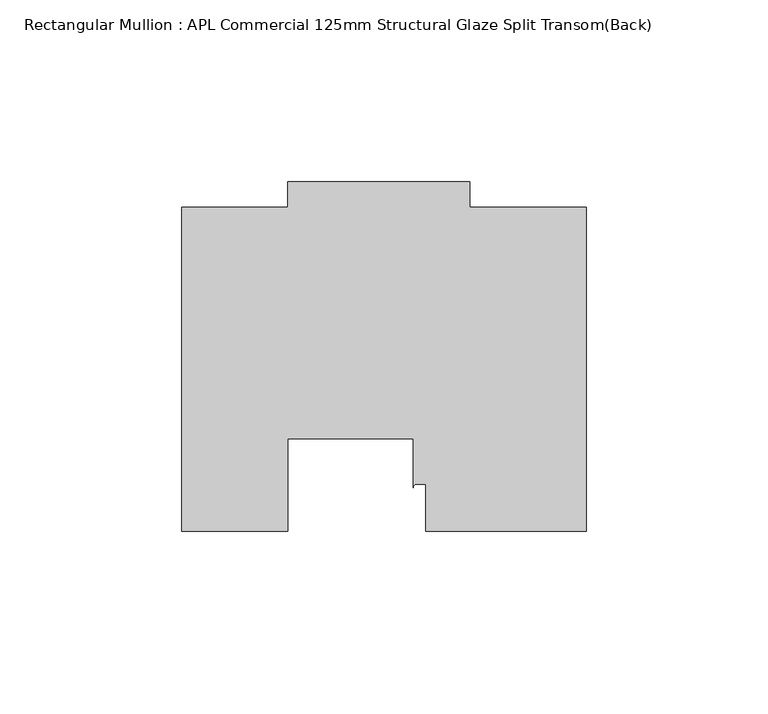
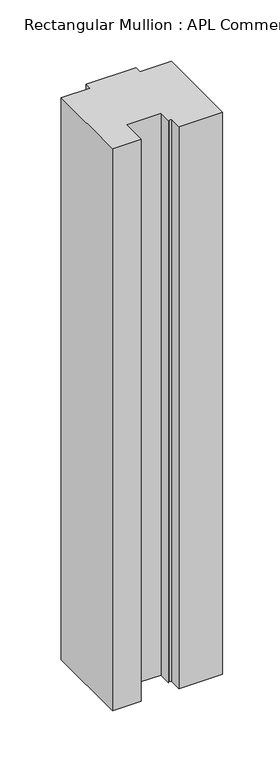
"""IFC4 building model written with IfcOpenShell, lengths in millimetres: member geometry, Rectangular Mullion : APL Commercial 125mm Structural Glaze Split Transom(Back)."""

import ifcopenshell
import ifcopenshell.guid

model = None  # the IFC model being written
_history = None  # IfcOwnerHistory: only IFC2X3 demands one
_inside = {}  # id of a spatial element -> (the spatial element, [elements in it])
_under = {}  # id of a project, library or spatial element -> (it, [spatial elements below it])
_declared = {}  # id of a project -> (the project, [libraries it declares])
_typed = {}  # id of a type object -> (the type object, [elements of that type])
_made_of = {}  # id of a material, layer set ... -> (it, [elements and type objects made of it])


def new_model(schema):
    """Start an empty IFC model of exactly this schema.

    Asked for "IFC4X3", IfcOpenShell would pick the latest addendum, in which some entities
    have other attributes; the version numbers below select the first issue.
    IFC2X3 requires an IfcOwnerHistory on every rooted entity: one is made here for all.
    """
    global model, _history
    if schema == "IFC4X3":
        model = ifcopenshell.file(schema_version=(4, 3, 0, 0))
    else:
        model = ifcopenshell.file(schema=schema)
    _inside.clear()
    _under.clear()
    _declared.clear()
    _typed.clear()
    _made_of.clear()
    _history = None
    if model.schema == "IFC2X3":
        org = make("IfcOrganization", Name="unknown")
        user = make(
            "IfcPersonAndOrganization",
            ThePerson=make("IfcPerson", FamilyName="unknown"),
            TheOrganization=org,
        )
        app = make(
            "IfcApplication",
            ApplicationDeveloper=org,
            Version="unknown",
            ApplicationFullName="unknown",
            ApplicationIdentifier="unknown",
        )
        _history = make(
            "IfcOwnerHistory",
            OwningUser=user,
            OwningApplication=app,
            ChangeAction="ADDED",
            CreationDate=0,
        )
    return model


def make(cls, **values):
    """One entity of the class cls with the attributes given. An attribute that is None is left unset."""
    return model.create_entity(
        cls, **{name: value for name, value in values.items() if value is not None}
    )


def rooted(cls, **values):
    """An entity with a GlobalId (a new one), such as an element, a storey or a relation."""
    return make(cls, GlobalId=ifcopenshell.guid.new(), OwnerHistory=_history, **values)


def si_unit(unit_type, name, prefix=None):
    """IfcSIUnit, for example si_unit("LENGTHUNIT", "METRE", prefix="MILLI")."""
    return make("IfcSIUnit", UnitType=unit_type, Prefix=prefix, Name=name)


def assignment(units):
    """IfcUnitAssignment: the units of a project."""
    return None if units is None else make("IfcUnitAssignment", Units=units)


def point(xyz):
    """IfcCartesianPoint."""
    return None if xyz is None else make("IfcCartesianPoint", Coordinates=xyz)


def direction(xyz):
    """IfcDirection."""
    return None if xyz is None else make("IfcDirection", DirectionRatios=xyz)


def frame(location, z_axis=None, x_axis=None):
    """IfcAxis2Placement3D, a coordinate frame: its origin and axes. An axis left out is left unset."""
    return make(
        "IfcAxis2Placement3D",
        Location=point(location),
        Axis=direction(z_axis),
        RefDirection=direction(x_axis),
    )


def frame_2d(location, x_axis=None):
    """IfcAxis2Placement2D, a coordinate frame in the plane: its origin and x axis."""
    return make(
        "IfcAxis2Placement2D", Location=point(location), RefDirection=direction(x_axis)
    )


def origin():
    """The frame at (0, 0, 0) with its axes left unset."""
    return frame((0.0, 0.0, 0.0))


def place(relative_to, where):
    """IfcLocalPlacement: puts the frame where relative to a parent placement (None: the world)."""
    return make(
        "IfcLocalPlacement", PlacementRelTo=relative_to, RelativePlacement=where
    )


def context(
    kind, dimensions, precision=None, world=None, true_north=None, identifier=None
):
    """IfcGeometricRepresentationContext, for example the 3D "Model" context."""
    return make(
        "IfcGeometricRepresentationContext",
        ContextIdentifier=identifier,
        ContextType=kind,
        CoordinateSpaceDimension=dimensions,
        Precision=precision,
        WorldCoordinateSystem=world,
        TrueNorth=true_north,
    )


def project(units=None, contexts=None):
    """IfcProject with its units and contexts."""
    return rooted(
        "IfcProject",
        Name="project",
        RepresentationContexts=contexts,
        UnitsInContext=assignment(units),
    )


def spatial(cls, under=None, at=None, **own):
    """A site, building, storey or space (cls), placed at a placement, below another one or the project."""
    s = rooted(cls, ObjectPlacement=at, **own)
    if under is not None:
        _under.setdefault(under.id(), (under, []))[1].append(s)
    return s


def polyline(points):
    """IfcPolyline through the points."""
    return make("IfcPolyline", Points=[point(p) for p in points])


def circle_curve(where, radius):
    """IfcCircle in the frame where."""
    return make("IfcCircle", Position=where, Radius=radius)


def trimmed(basis, trim1, trim2, sense, master):
    """IfcTrimmedCurve: the piece of a basis curve between two trims."""
    return make(
        "IfcTrimmedCurve",
        BasisCurve=basis,
        Trim1=trim1,
        Trim2=trim2,
        SenseAgreement=sense,
        MasterRepresentation=master,
    )


def segment(curve, same_sense, transition):
    """IfcCompositeCurveSegment."""
    return make(
        "IfcCompositeCurveSegment",
        Transition=transition,
        SameSense=same_sense,
        ParentCurve=curve,
    )


def composite_curve(segments, self_intersect=None):
    """IfcCompositeCurve: segments joined end to end."""
    return make("IfcCompositeCurve", Segments=segments, SelfIntersect=self_intersect)


def outline(outer, holes=None, kind="AREA"):
    """IfcArbitraryClosedProfileDef: a profile drawn as a closed curve; with holes, ...WithVoids."""
    if holes is None:
        return make("IfcArbitraryClosedProfileDef", ProfileType=kind, OuterCurve=outer)
    return make(
        "IfcArbitraryProfileDefWithVoids",
        ProfileType=kind,
        OuterCurve=outer,
        InnerCurves=holes,
    )


def extrude(swept, where, along, depth):
    """IfcExtrudedAreaSolid: the profile swept, set in the frame where, extruded along a direction by depth."""
    return make(
        "IfcExtrudedAreaSolid",
        SweptArea=swept,
        Position=where,
        ExtrudedDirection=direction(along),
        Depth=depth,
    )


def shape(context_of_items, identifier, shape_type, items):
    """IfcShapeRepresentation: the items that make up one representation, for example the "Body"."""
    return make(
        "IfcShapeRepresentation",
        ContextOfItems=context_of_items,
        RepresentationIdentifier=identifier,
        RepresentationType=shape_type,
        Items=items,
    )


def source(mapping_origin, context_of_items, identifier, shape_type, items):
    """IfcRepresentationMap: a shape defined once, which mapped items show again and again."""
    return make(
        "IfcRepresentationMap",
        MappingOrigin=mapping_origin,
        MappedRepresentation=shape(context_of_items, identifier, shape_type, items),
    )


def transform(
    local_origin,
    x_axis=None,
    y_axis=None,
    z_axis=None,
    scale=None,
    scale2=None,
    scale3=None,
    uniform=True,
):
    """IfcCartesianTransformationOperator3D, or its non-uniform kind. x_axis, y_axis, z_axis: its Axis1, 2, 3."""
    if uniform:
        return make(
            "IfcCartesianTransformationOperator3D",
            Axis1=direction(x_axis),
            Axis2=direction(y_axis),
            LocalOrigin=point(local_origin),
            Scale=scale,
            Axis3=direction(z_axis),
        )
    return make(
        "IfcCartesianTransformationOperator3DnonUniform",
        Axis1=direction(x_axis),
        Axis2=direction(y_axis),
        LocalOrigin=point(local_origin),
        Scale=scale,
        Axis3=direction(z_axis),
        Scale2=scale2,
        Scale3=scale3,
    )


def mapped(mapping_source, mapping_target):
    """IfcMappedItem: shows the shape of a source again, moved by a transform."""
    return make(
        "IfcMappedItem", MappingSource=mapping_source, MappingTarget=mapping_target
    )


def made_of(thing, what):
    """Note that an element or type object is made of a material, layer set ...; save() writes the relation."""
    if what is not None:
        _made_of.setdefault(what.id(), (what, []))[1].append(thing)
    return thing


def element(
    cls,
    number,
    at=None,
    inside=None,
    cuts=None,
    type_object=None,
    material=None,
    context=None,
    identifier="Body",
    shape_type=None,
    held_by="IfcProductDefinitionShape",
    body=None,
    shapes=None,
    **own,
):
    """One element of the class cls, such as IfcWall. Its Tag is "e" and its number.

    at: its placement. inside: the storey or other place that contains it. cuts: it is an
    opening in that element (IfcRelVoidsElement). A single representation is given by context,
    identifier, shape_type and body (its items); several are given by shapes. held_by: the class
    of the entity that holds the representations. save() writes the other relations.
    """
    e = rooted(cls, Tag="e%d" % number, ObjectPlacement=at, **own)
    if body is not None:
        shapes = [shape(context, identifier, shape_type, body)]
    if shapes is not None:
        e.Representation = make(held_by, Representations=shapes)
    if inside is not None:
        _inside.setdefault(inside.id(), (inside, []))[1].append(e)
    if cuts is not None:
        rooted(
            "IfcRelVoidsElement", RelatingBuildingElement=cuts, RelatedOpeningElement=e
        )
    if type_object is not None:
        _typed.setdefault(type_object.id(), (type_object, []))[1].append(e)
    return made_of(e, material)


def aggregate(whole, parts):
    """IfcRelAggregates: a whole, such as a stair, and the parts it consists of."""
    return rooted("IfcRelAggregates", RelatingObject=whole, RelatedObjects=parts)


def save(model, path):
    """Write the relations noted so far, then the file.

    IfcRelAggregates (storeys below a building ...), IfcRelContainedInSpatialStructure (elements
    in a storey), IfcRelDefinesByType, IfcRelAssociatesMaterial and IfcRelDeclares: one each for
    every whole, place, type object, material and project.
    """
    for whole, parts in _under.values():
        aggregate(whole, parts)
    for where, things in _inside.values():
        rooted(
            "IfcRelContainedInSpatialStructure",
            RelatedElements=things,
            RelatingStructure=where,
        )
    for kind, things in _typed.values():
        rooted("IfcRelDefinesByType", RelatedObjects=things, RelatingType=kind)
    for what, things in _made_of.values():
        rooted("IfcRelAssociatesMaterial", RelatedObjects=things, RelatingMaterial=what)
    for by, libraries in _declared.values():
        rooted("IfcRelDeclares", RelatingContext=by, RelatedDefinitions=libraries)
    model.write(path)


def rectangular_mullion_apl_commercial_125mm_structural_glaze_964fa3ec(model_context):
    return source(origin(), model_context, "Body", "SweptSolid", [
        extrude(outline(composite_curve([segment(polyline([(54.0000029, 15.0004617), (10.0000029, 15.0004617), (10.0000029, 28.0002131), (7.5000029, 28.0002131)]), True, "CONTINUOUS"), segment(trimmed(circle_curve(frame_2d((7.5000029, 27.0002131)), 1.0), [point((7.5000029, 28.0002131))], [point((6.5000029, 27.0002131))], True, "CARTESIAN"), True, "CONTINUOUS"), segment(polyline([(6.5000029, 27.0002131), (6.5000029, 40.499932), (-28.0000482, 40.499932), (-28.0000482, 15.0001793), (-57.0000004, 15.0001793), (-57.0000004, 103.9999439), (-27.9971154, 103.9999439), (-27.9971154, 111.0), (22.0028846, 111.0), (22.0028846, 104.0), (54.0000029, 104.0), (54.0000029, 15.0004617)]), True, "CONTINUOUS")], self_intersect=False)), frame((0.0, 0.0, -597.1422708), z_axis=(0.0, 0.0, 1.0), x_axis=(1.0, 0.0, 0.0)), (0.0, 0.0, 1.0), 597.1422708),
    ])


if __name__ == "__main__":
    model = new_model("IFC4")
    model_context = context("Model", 3, world=origin())
    ifc_project = project(units=[si_unit("LENGTHUNIT", "METRE", prefix="MILLI")], contexts=[model_context])
    site = spatial("IfcSite", under=ifc_project)
    building = spatial("IfcBuilding", under=site)
    placement = place(None, origin())
    rectangular_mullion_apl_commercial_125mm_structural_glaze_shape = rectangular_mullion_apl_commercial_125mm_structural_glaze_964fa3ec(model_context)
    element("IfcMember", 1, ObjectType="Rectangular Mullion : APL Commercial 125mm Structural Glaze Split Transom(Back)", at=placement, inside=building, context=model_context, shape_type="MappedRepresentation", body=[
        mapped(rectangular_mullion_apl_commercial_125mm_structural_glaze_shape, transform((0.0, 0.0, 0.0), x_axis=(1.0, 0.0, 0.0), y_axis=(0.0, 1.0, 0.0), z_axis=(0.0, 0.0, 1.0))),
    ])
    save(model, "model.ifc")
